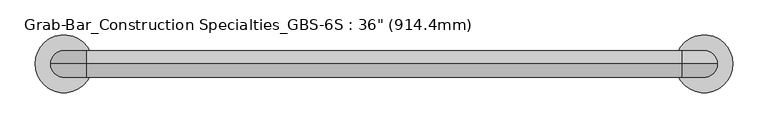
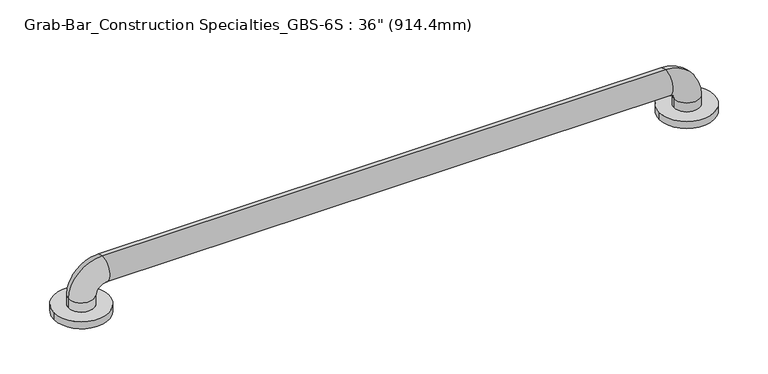
"""IFC4 building model written with IfcOpenShell, lengths in millimetres: proxy geometry."""

from ifc_helpers import new_model, si_unit, point, frame, origin, origin_with_axes, place, context, project, spatial, circle_curve, ellipse_curve, trimmed, source, transform, mapped, element, save
from ifc_brep_helpers import plane_surface, cylinder_surface, revolved_surface, advanced_brep


def proxy_ebd3fa98(model_context):
    return source(origin(), model_context, "Body", "AdvancedBrep", [
        advanced_brep(
        [(-41.3010856, 0.0, 0.0), (41.3010856, 0.0, 0.0), (873.0989144, 0.0, 0.0), (955.7010856, 0.0, 0.0), (19.05, 0.0, 25.4), (-19.05, 0.0, 25.4), (-19.05, 0.0, 11.1125), (19.05, 0.0, 11.1125), (31.75, 0.0, 38.1), (31.75, 0.0, 76.2), (882.65, 0.0, 38.1), (882.65, 0.0, 76.2), (895.35, 0.0, 25.4), (933.45, 0.0, 25.4), (895.35, 0.0, 11.1125), (933.45, 0.0, 11.1125), (-41.3010856, 0.0, 11.1125), (41.3010856, 0.0, 11.1125), (873.0989144, 0.0, 11.1125), (955.7010856, 0.0, 11.1125)],
        [
            (0, 1, circle_curve(frame((0.0, 0.0, 0.0), z_axis=(0.0, 0.0, -1.0), x_axis=(1.0, 0.0, 0.0)), 41.3010856)),
            (1, 0, circle_curve(frame((0.0, 0.0, 0.0), z_axis=(0.0, 0.0, -1.0), x_axis=(1.0, 0.0, 0.0)), 41.3010856)),
            (2, 3, circle_curve(frame((914.4, 0.0, 0.0), z_axis=(0.0, 0.0, -1.0), x_axis=(1.0, 0.0, 0.0)), 41.3010856)),
            (3, 2, circle_curve(frame((914.4, 0.0, 0.0), z_axis=(0.0, 0.0, -1.0), x_axis=(1.0, 0.0, 0.0)), 41.3010856)),
            (4, 5, circle_curve(frame((0.0, 0.0, 25.4), z_axis=(0.0, 0.0, -1.0), x_axis=(-1.0, 0.0, 0.0)), 19.05)),
            (5, 6),
            (6, 7, circle_curve(frame((0.0, 0.0, 11.1125), z_axis=(0.0, 0.0, 1.0), x_axis=(-1.0, 0.0, 0.0)), 19.05)),
            (7, 4),
            (5, 4, circle_curve(frame((0.0, 0.0, 25.4), z_axis=(0.0, 0.0, -1.0), x_axis=(-1.0, 0.0, 0.0)), 19.05)),
            (7, 6, circle_curve(frame((0.0, 0.0, 11.1125), z_axis=(0.0, 0.0, 1.0), x_axis=(-1.0, 0.0, 0.0)), 19.05)),
            (4, 8, circle_curve(frame((31.75, 0.0, 25.4), z_axis=(0.0, 1.0, 0.0), x_axis=(-1.0, 0.0, 0.0)), 12.7)),
            (8, 9, circle_curve(frame((31.75, 0.0, 57.15), z_axis=(-1.0, 0.0, 0.0), x_axis=(0.0, 0.0, 1.0)), 19.05)),
            (9, 5, circle_curve(frame((31.75, 0.0, 25.4), z_axis=(0.0, -1.0, 0.0), x_axis=(-1.0, 0.0, 0.0)), 50.8)),
            (9, 8, circle_curve(frame((31.75, 0.0, 57.15), z_axis=(-1.0, 0.0, 0.0), x_axis=(0.0, 0.0, 1.0)), 19.05)),
            (8, 10),
            (10, 11, circle_curve(frame((882.65, 0.0, 57.15), z_axis=(-1.0, 0.0, 0.0), x_axis=(0.0, 0.0, 1.0)), 19.05)),
            (11, 9),
            (11, 10, circle_curve(frame((882.65, 0.0, 57.15), z_axis=(-1.0, 0.0, 0.0), x_axis=(0.0, 0.0, 1.0)), 19.05)),
            (10, 12, circle_curve(frame((882.65, 0.0, 25.4), z_axis=(0.0, 1.0, 0.0), x_axis=(0.0, 0.0, 1.0)), 12.7)),
            (12, 13, circle_curve(frame((914.4, 0.0, 25.4), z_axis=(0.0, 0.0, 1.0), x_axis=(1.0, 0.0, 0.0)), 19.05)),
            (13, 11, circle_curve(frame((882.65, 0.0, 25.4), z_axis=(0.0, -1.0, 0.0), x_axis=(0.0, 0.0, 1.0)), 50.8)),
            (13, 12, circle_curve(frame((914.4, 0.0, 25.4), z_axis=(0.0, 0.0, 1.0), x_axis=(1.0, 0.0, 0.0)), 19.05)),
            (12, 14),
            (14, 15, circle_curve(frame((914.4, 0.0, 11.1125), z_axis=(0.0, 0.0, 1.0), x_axis=(1.0, 0.0, 0.0)), 19.05)),
            (15, 13),
            (15, 14, circle_curve(frame((914.4, 0.0, 11.1125), z_axis=(0.0, 0.0, 1.0), x_axis=(1.0, 0.0, 0.0)), 19.05)),
            (16, 17, circle_curve(frame((0.0, 0.0, 11.1125), z_axis=(0.0, 0.0, 1.0), x_axis=(1.0, 0.0, 0.0)), 41.3010856)),
            (17, 16, circle_curve(frame((0.0, 0.0, 11.1125), z_axis=(0.0, 0.0, 1.0), x_axis=(1.0, 0.0, 0.0)), 41.3010856)),
            (18, 19, circle_curve(frame((914.4, 0.0, 11.1125), z_axis=(0.0, 0.0, 1.0), x_axis=(1.0, 0.0, 0.0)), 41.3010856)),
            (19, 18, circle_curve(frame((914.4, 0.0, 11.1125), z_axis=(0.0, 0.0, 1.0), x_axis=(1.0, 0.0, 0.0)), 41.3010856)),
            (16, 0),
            (1, 17),
            (18, 2),
            (3, 19),
        ],
        [
            plane_surface(frame((0.0, 0.0, 0.0), z_axis=(0.0, 0.0, -1.0), x_axis=(0.0, -1.0, 0.0))),
            cylinder_surface(frame((0.0, 0.0, 0.0), z_axis=(0.0, 0.0, -1.0), x_axis=(-1.0, 0.0, 0.0)), 19.05),
            revolved_surface(trimmed(ellipse_curve(frame((0.0, 0.0, 25.4), z_axis=(0.0, 0.0, -1.0), x_axis=(-1.0, 0.0, 0.0)), 19.05, 19.05), [point((19.05, 0.0, 25.4))], [point((-19.05, 0.0, 25.4))], True, "CARTESIAN"), (31.75, 0.0, 25.4), (0.0, 1.0, 0.0)),
            revolved_surface(trimmed(ellipse_curve(frame((0.0, 0.0, 25.4), z_axis=(0.0, 0.0, -1.0), x_axis=(-1.0, 0.0, 0.0)), 19.05, 19.05), [point((-19.05, 0.0, 25.4))], [point((19.05, 0.0, 25.4))], True, "CARTESIAN"), (31.75, 0.0, 25.4), (0.0, 1.0, 0.0)),
            cylinder_surface(frame((31.75, 0.0, 57.15), z_axis=(-1.0, 0.0, 0.0), x_axis=(0.0, 0.0, 1.0)), 19.05),
            revolved_surface(trimmed(ellipse_curve(frame((882.65, 0.0, 57.15), z_axis=(-1.0, 0.0, 0.0), x_axis=(0.0, 0.0, 1.0)), 19.05, 19.05), [point((882.65, 0.0, 38.1))], [point((882.65, 0.0, 76.2))], True, "CARTESIAN"), (882.65, 0.0, 25.4), (0.0, 1.0, 0.0)),
            revolved_surface(trimmed(ellipse_curve(frame((882.65, 0.0, 57.15), z_axis=(-1.0, 0.0, 0.0), x_axis=(0.0, 0.0, 1.0)), 19.05, 19.05), [point((882.65, 0.0, 76.2))], [point((882.65, 0.0, 38.1))], True, "CARTESIAN"), (882.65, 0.0, 25.4), (0.0, 1.0, 0.0)),
            cylinder_surface(frame((914.4, 0.0, 25.4), z_axis=(0.0, 0.0, 1.0), x_axis=(1.0, 0.0, 0.0)), 19.05),
            plane_surface(frame((41.3010856, 0.0, 11.1125), z_axis=(0.0, 0.0, 1.0), x_axis=(0.0, 1.0, 0.0))),
            cylinder_surface(origin_with_axes(), 41.3010856),
            cylinder_surface(frame((914.4, 0.0, 0.0), z_axis=(0.0, 0.0, 1.0), x_axis=(1.0, 0.0, 0.0)), 41.3010856),
        ],
        [
            (0, [[1, 2]]),
            (0, [[3, 4]]),
            (1, [[5, 6, 7, 8]]),
            (1, [[9, -8, 10, -6]]),
            (2, [[-5, 11, 12, 13]]),
            (3, [[-9, -13, 14, -11]]),
            (4, [[-12, 15, 16, 17]]),
            (4, [[-14, -17, 18, -15]]),
            (5, [[-16, 19, 20, 21]]),
            (6, [[-18, -21, 22, -19]]),
            (7, [[-20, 23, 24, 25]]),
            (7, [[-22, -25, 26, -23]]),
            (8, [[27, 28], [-7, -10]]),
            (8, [[29, 30], [-24, -26]]),
            (9, [[-27, 31, -2, 32]]),
            (9, [[-28, -32, -1, -31]]),
            (10, [[-29, 33, -4, 34]]),
            (10, [[-30, -34, -3, -33]]),
        ],
    ),
    ])


if __name__ == "__main__":
    model = new_model("IFC4")
    model_context = context("Model", 3, world=origin())
    ifc_project = project(units=[si_unit("LENGTHUNIT", "METRE", prefix="MILLI")], contexts=[model_context])
    site = spatial("IfcSite", under=ifc_project)
    building = spatial("IfcBuilding", under=site)
    placement = place(None, origin())
    proxy_shape = proxy_ebd3fa98(model_context)
    element("IfcBuildingElementProxy", 1, Name="Grab-Bar_Construction Specialties_GBS-6S : 36\" (914.4mm)", ObjectType="Grab-Bar_Construction Specialties_GBS-6S : 36\" (914.4mm)", at=placement, inside=building, context=model_context, shape_type="MappedRepresentation", body=[
        mapped(proxy_shape, transform((0.0, 0.0, 0.0), x_axis=(1.0, 0.0, 0.0), y_axis=(0.0, 1.0, 0.0), z_axis=(0.0, 0.0, 1.0))),
    ])
    save(model, "model.ifc")
